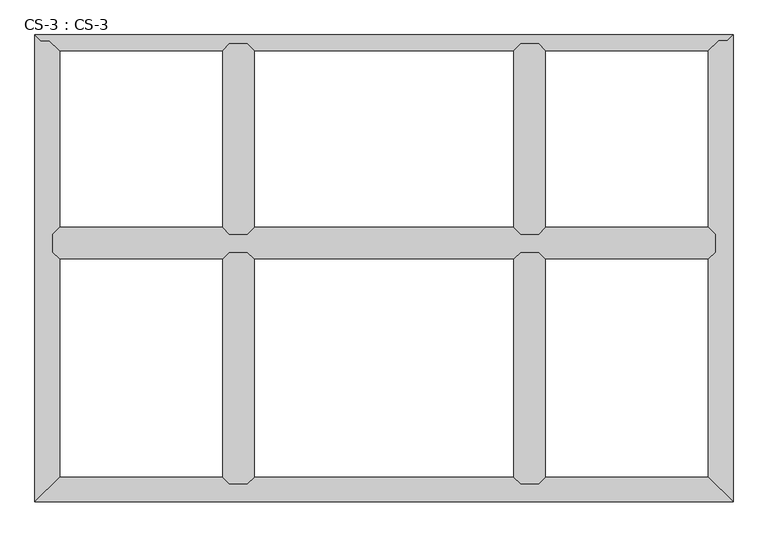
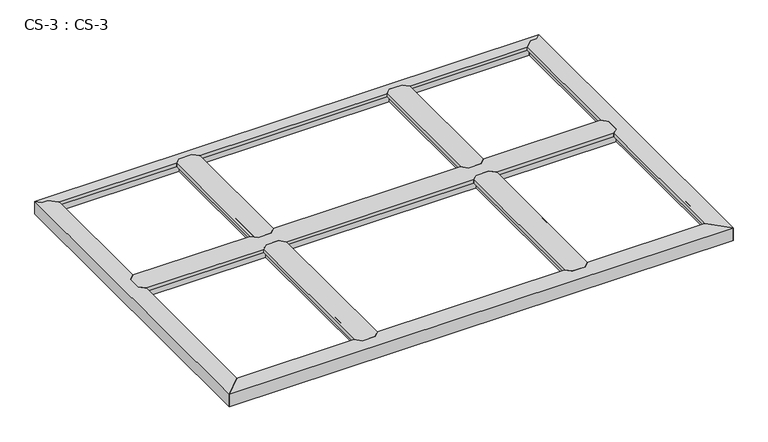
"""IFC4 building model written with IfcOpenShell, lengths in millimetres: proxy geometry, CS-3 : CS-3."""

from ifc_helpers import new_model, si_unit, origin, place, context, project, spatial, faceted_brep, source, transform, mapped, element, save


def cs_3_cs_3_01ce7afc(model_context):
    return source(origin(), model_context, "Body", "Brep", [
        faceted_brep([(1844.04, 1676.4, 46.355), (1844.04, 1676.4, 0.0), (1837.055, 1676.4, 0.0), (1837.055, 1676.4, 63.5), (1784.985, 1676.4, 63.5), (1784.985, 1676.4, 0.0), (1778.0, 1676.4, 0.0), (1778.0, 1676.4, 46.355), (1778.0, 1676.4, 66.675), (1844.04, 1676.4, 66.675), (1778.0, 980.44, 46.355), (1778.0, 980.44, 0.0), (1784.985, 980.44, 0.0), (1784.985, 980.44, 63.5), (1837.055, 980.44, 63.5), (1837.055, 980.44, 0.0), (1844.04, 980.44, 0.0), (1844.04, 980.44, 46.355), (1844.04, 980.44, 66.675), (1778.0, 980.44, 66.675), (1753.362, 1005.078, 66.675), (1753.362, 1651.762, 66.675), (1753.362, 1651.762, 49.8094), (1753.362, 1005.078, 49.8094), (1754.886, 1653.286, 49.8094), (1754.886, 1003.554, 49.8094), (1754.886, 1653.286, 64.643), (1754.886, 1003.554, 64.643), (1765.173, 1663.573, 64.643), (1765.173, 993.267, 64.643), (1765.173, 1663.573, 46.355), (1765.173, 993.267, 46.355), (1856.867, 1663.573, 46.355), (1856.867, 993.267, 46.355), (1856.867, 1663.573, 64.643), (1856.867, 993.267, 64.643), (1867.154, 1653.286, 64.643), (1867.154, 1003.554, 64.643), (1867.154, 1653.286, 49.8094), (1867.154, 1003.554, 49.8094), (1868.678, 1651.762, 49.8094), (1868.678, 1005.078, 49.8094), (1868.678, 1651.762, 66.675), (1868.678, 1005.078, 66.675)], [[[0, 1, 2, 3, 4, 5, 6, 7, 8, 9]], [[10, 11, 12, 13, 14, 15, 16, 17, 18, 19]], [[20, 21, 22, 23]], [[23, 22, 24, 25]], [[25, 24, 26, 27]], [[27, 26, 28, 29]], [[29, 28, 30, 31]], [[7, 10, 31, 30]], [[7, 6, 11, 10]], [[6, 5, 12, 11]], [[5, 4, 13, 12]], [[4, 3, 14, 13]], [[3, 2, 15, 14]], [[2, 1, 16, 15]], [[1, 0, 17, 16]], [[17, 0, 32, 33]], [[33, 32, 34, 35]], [[35, 34, 36, 37]], [[37, 36, 38, 39]], [[39, 38, 40, 41]], [[41, 40, 42, 43]], [[9, 8, 21, 20, 19, 18, 43, 42]], [[10, 19, 20, 23, 25, 27, 29, 31]], [[18, 17, 33, 35, 37, 39, 41, 43]], [[0, 9, 42, 40, 38, 36, 34, 32]], [[8, 7, 30, 28, 26, 24, 22, 21]]]),
        faceted_brep([(777.24, 1676.4, 46.355), (777.24, 1676.4, 0.0), (770.255, 1676.4, 0.0), (770.255, 1676.4, 63.5), (718.185, 1676.4, 63.5), (718.185, 1676.4, 0.0), (711.2, 1676.4, 0.0), (711.2, 1676.4, 46.355), (711.2, 1676.4, 66.675), (777.24, 1676.4, 66.675), (711.2, 980.44, 46.355), (711.2, 980.44, 0.0), (718.185, 980.44, 0.0), (718.185, 980.44, 63.5), (770.255, 980.44, 63.5), (770.255, 980.44, 0.0), (777.24, 980.44, 0.0), (777.24, 980.44, 46.355), (777.24, 980.44, 66.675), (711.2, 980.44, 66.675), (686.562, 1005.078, 66.675), (686.562, 1651.762, 66.675), (686.562, 1651.762, 49.8094), (686.562, 1005.078, 49.8094), (688.086, 1653.286, 49.8094), (688.086, 1003.554, 49.8094), (688.086, 1653.286, 64.643), (688.086, 1003.554, 64.643), (698.373, 1663.573, 64.643), (698.373, 993.267, 64.643), (698.373, 1663.573, 46.355), (698.373, 993.267, 46.355), (790.067, 1663.573, 46.355), (790.067, 993.267, 46.355), (790.067, 1663.573, 64.643), (790.067, 993.267, 64.643), (800.354, 1653.286, 64.643), (800.354, 1003.554, 64.643), (800.354, 1653.286, 49.8094), (800.354, 1003.554, 49.8094), (801.878, 1651.762, 49.8094), (801.878, 1005.078, 49.8094), (801.878, 1651.762, 66.675), (801.878, 1005.078, 66.675)], [[[0, 1, 2, 3, 4, 5, 6, 7, 8, 9]], [[10, 11, 12, 13, 14, 15, 16, 17, 18, 19]], [[20, 21, 22, 23]], [[23, 22, 24, 25]], [[25, 24, 26, 27]], [[27, 26, 28, 29]], [[29, 28, 30, 31]], [[7, 10, 31, 30]], [[7, 6, 11, 10]], [[6, 5, 12, 11]], [[5, 4, 13, 12]], [[4, 3, 14, 13]], [[3, 2, 15, 14]], [[2, 1, 16, 15]], [[1, 0, 17, 16]], [[17, 0, 32, 33]], [[33, 32, 34, 35]], [[35, 34, 36, 37]], [[37, 36, 38, 39]], [[39, 38, 40, 41]], [[41, 40, 42, 43]], [[9, 8, 21, 20, 19, 18, 43, 42]], [[10, 19, 20, 23, 25, 27, 29, 31]], [[18, 17, 33, 35, 37, 39, 41, 43]], [[0, 9, 42, 40, 38, 36, 34, 32]], [[8, 7, 30, 28, 26, 24, 22, 21]]]),
        faceted_brep([(2489.2, 914.4, 46.355), (2489.2, 914.4, 0.0), (2489.2, 921.385, 0.0), (2489.2, 921.385, 63.5), (2489.2, 973.455, 63.5), (2489.2, 973.455, 0.0), (2489.2, 980.44, 0.0), (2489.2, 980.44, 46.355), (2489.2, 980.44, 66.675), (2489.2, 914.4, 66.675), (66.04, 980.44, 46.355), (66.04, 980.44, 0.0), (66.04, 973.455, 0.0), (66.04, 973.455, 63.5), (66.04, 921.385, 63.5), (66.04, 921.385, 0.0), (66.04, 914.4, 0.0), (66.04, 914.4, 46.355), (66.04, 914.4, 66.675), (66.04, 980.44, 66.675), (90.678, 1005.078, 49.8094), (90.678, 1005.078, 66.675), (686.562, 1005.078, 66.675), (686.562, 1005.078, 49.8094), (2464.562, 1005.078, 66.675), (2464.562, 1005.078, 49.8094), (1868.678, 1005.078, 49.8094), (1868.678, 1005.078, 66.675), (801.878, 1005.078, 49.8094), (801.878, 1005.078, 66.675), (1753.362, 1005.078, 66.675), (1753.362, 1005.078, 49.8094), (89.154, 1003.554, 49.8094), (688.086, 1003.554, 49.8094), (2466.086, 1003.554, 49.8094), (1867.154, 1003.554, 49.8094), (800.354, 1003.554, 49.8094), (1754.886, 1003.554, 49.8094), (89.154, 1003.554, 64.643), (688.086, 1003.554, 64.643), (2466.086, 1003.554, 64.643), (1867.154, 1003.554, 64.643), (800.354, 1003.554, 64.643), (1754.886, 1003.554, 64.643), (78.867, 993.267, 64.643), (698.373, 993.267, 64.643), (2476.373, 993.267, 64.643), (1856.867, 993.267, 64.643), (790.067, 993.267, 64.643), (1765.173, 993.267, 64.643), (78.867, 993.267, 46.355), (698.373, 993.267, 46.355), (2476.373, 993.267, 46.355), (1856.867, 993.267, 46.355), (790.067, 993.267, 46.355), (1765.173, 993.267, 46.355), (711.2, 980.44, 46.355), (1844.04, 980.44, 46.355), (777.24, 980.44, 46.355), (1778.0, 980.44, 46.355), (711.2, 980.44, 66.675), (777.24, 980.44, 66.675), (1778.0, 980.44, 66.675), (1844.04, 980.44, 66.675), (1844.04, 914.4, 46.355), (1844.04, 914.4, 66.675), (1778.0, 914.4, 66.675), (1778.0, 914.4, 46.355), (777.24, 914.4, 46.355), (777.24, 914.4, 66.675), (711.2, 914.4, 66.675), (711.2, 914.4, 46.355), (78.867, 901.573, 46.355), (698.373, 901.573, 46.355), (2476.373, 901.573, 46.355), (1856.867, 901.573, 46.355), (790.067, 901.573, 46.355), (1765.173, 901.573, 46.355), (78.867, 901.573, 64.643), (698.373, 901.573, 64.643), (2476.373, 901.573, 64.643), (1856.867, 901.573, 64.643), (790.067, 901.573, 64.643), (1765.173, 901.573, 64.643), (89.154, 891.286, 64.643), (688.086, 891.286, 64.643), (2466.086, 891.286, 64.643), (1867.154, 891.286, 64.643), (800.354, 891.286, 64.643), (1754.886, 891.286, 64.643), (89.154, 891.286, 49.8094), (688.086, 891.286, 49.8094), (2466.086, 891.286, 49.8094), (1867.154, 891.286, 49.8094), (800.354, 891.286, 49.8094), (1754.886, 891.286, 49.8094), (90.678, 889.762, 49.8094), (686.562, 889.762, 49.8094), (2464.562, 889.762, 49.8094), (1868.678, 889.762, 49.8094), (801.878, 889.762, 49.8094), (1753.362, 889.762, 49.8094), (90.678, 889.762, 66.675), (686.562, 889.762, 66.675), (2464.562, 889.762, 66.675), (1868.678, 889.762, 66.675), (801.878, 889.762, 66.675), (1753.362, 889.762, 66.675)], [[[0, 1, 2, 3, 4, 5, 6, 7, 8, 9]], [[10, 11, 12, 13, 14, 15, 16, 17, 18, 19]], [[20, 21, 22, 23]], [[24, 25, 26, 27]], [[28, 29, 30, 31]], [[32, 20, 23, 33]], [[25, 34, 35, 26]], [[36, 28, 31, 37]], [[38, 32, 33, 39]], [[34, 40, 41, 35]], [[42, 36, 37, 43]], [[44, 38, 39, 45]], [[40, 46, 47, 41]], [[48, 42, 43, 49]], [[50, 44, 45, 51]], [[46, 52, 53, 47]], [[54, 48, 49, 55]], [[10, 50, 51, 56]], [[52, 7, 57, 53]], [[58, 54, 55, 59]], [[7, 6, 11, 10, 56, 60, 61, 58, 59, 62, 63, 57]], [[6, 5, 12, 11]], [[5, 4, 13, 12]], [[4, 3, 14, 13]], [[3, 2, 15, 14]], [[2, 1, 16, 15]], [[1, 0, 64, 65, 66, 67, 68, 69, 70, 71, 17, 16]], [[72, 17, 71, 73]], [[0, 74, 75, 64]], [[76, 68, 67, 77]], [[78, 72, 73, 79]], [[74, 80, 81, 75]], [[82, 76, 77, 83]], [[84, 78, 79, 85]], [[80, 86, 87, 81]], [[88, 82, 83, 89]], [[90, 84, 85, 91]], [[86, 92, 93, 87]], [[94, 88, 89, 95]], [[96, 90, 91, 97]], [[92, 98, 99, 93]], [[100, 94, 95, 101]], [[102, 96, 97, 103]], [[98, 104, 105, 99]], [[106, 100, 101, 107]], [[9, 8, 24, 27, 63, 62, 30, 29, 61, 60, 22, 21, 19, 18, 102, 103, 70, 69, 106, 107, 66, 65, 105, 104]], [[10, 19, 21, 20, 32, 38, 44, 50]], [[18, 17, 72, 78, 84, 90, 96, 102]], [[0, 9, 104, 98, 92, 86, 80, 74]], [[8, 7, 52, 46, 40, 34, 25, 24]], [[60, 56, 51, 45, 39, 33, 23, 22]], [[58, 61, 29, 28, 36, 42, 48, 54]], [[62, 59, 55, 49, 43, 37, 31, 30]], [[57, 63, 27, 26, 35, 41, 47, 53]], [[69, 68, 76, 82, 88, 94, 100, 106]], [[71, 70, 103, 97, 91, 85, 79, 73]], [[65, 64, 75, 81, 87, 93, 99, 105]], [[67, 66, 107, 101, 95, 89, 83, 77]]]),
        faceted_brep([(1844.04, 914.4, 46.355), (1844.04, 914.4, 0.0), (1837.055, 914.4, 0.0), (1837.055, 914.4, 63.5), (1784.985, 914.4, 63.5), (1784.985, 914.4, 0.0), (1778.0, 914.4, 0.0), (1778.0, 914.4, 46.355), (1778.0, 914.4, 66.675), (1844.04, 914.4, 66.675), (1778.0, 66.04, 46.355), (1778.0, 66.04, 0.0), (1784.985, 66.04, 0.0), (1784.985, 66.04, 63.5), (1837.055, 66.04, 63.5), (1837.055, 66.04, 0.0), (1844.04, 66.04, 0.0), (1844.04, 66.04, 46.355), (1844.04, 66.04, 66.675), (1778.0, 66.04, 66.675), (1753.362, 90.678, 66.675), (1753.362, 889.762, 66.675), (1753.362, 889.762, 49.8094), (1753.362, 90.678, 49.8094), (1754.886, 891.286, 49.8094), (1754.886, 89.154, 49.8094), (1754.886, 891.286, 64.643), (1754.886, 89.154, 64.643), (1765.173, 901.573, 64.643), (1765.173, 78.867, 64.643), (1765.173, 901.573, 46.355), (1765.173, 78.867, 46.355), (1856.867, 901.573, 46.355), (1856.867, 78.867, 46.355), (1856.867, 901.573, 64.643), (1856.867, 78.867, 64.643), (1867.154, 891.286, 64.643), (1867.154, 89.154, 64.643), (1867.154, 891.286, 49.8094), (1867.154, 89.154, 49.8094), (1868.678, 889.762, 49.8094), (1868.678, 90.678, 49.8094), (1868.678, 889.762, 66.675), (1868.678, 90.678, 66.675)], [[[0, 1, 2, 3, 4, 5, 6, 7, 8, 9]], [[10, 11, 12, 13, 14, 15, 16, 17, 18, 19]], [[20, 21, 22, 23]], [[23, 22, 24, 25]], [[25, 24, 26, 27]], [[27, 26, 28, 29]], [[29, 28, 30, 31]], [[7, 10, 31, 30]], [[7, 6, 11, 10]], [[6, 5, 12, 11]], [[5, 4, 13, 12]], [[4, 3, 14, 13]], [[3, 2, 15, 14]], [[2, 1, 16, 15]], [[1, 0, 17, 16]], [[17, 0, 32, 33]], [[33, 32, 34, 35]], [[35, 34, 36, 37]], [[37, 36, 38, 39]], [[39, 38, 40, 41]], [[41, 40, 42, 43]], [[9, 8, 21, 20, 19, 18, 43, 42]], [[10, 19, 20, 23, 25, 27, 29, 31]], [[18, 17, 33, 35, 37, 39, 41, 43]], [[0, 9, 42, 40, 38, 36, 34, 32]], [[8, 7, 30, 28, 26, 24, 22, 21]]]),
        faceted_brep([(777.24, 914.4, 46.355), (777.24, 914.4, 0.0), (770.255, 914.4, 0.0), (770.255, 914.4, 63.5), (718.185, 914.4, 63.5), (718.185, 914.4, 0.0), (711.2, 914.4, 0.0), (711.2, 914.4, 46.355), (711.2, 914.4, 66.675), (777.24, 914.4, 66.675), (711.2, 66.04, 46.355), (711.2, 66.04, 0.0), (718.185, 66.04, 0.0), (718.185, 66.04, 63.5), (770.255, 66.04, 63.5), (770.255, 66.04, 0.0), (777.24, 66.04, 0.0), (777.24, 66.04, 46.355), (777.24, 66.04, 66.675), (711.2, 66.04, 66.675), (686.562, 90.678, 66.675), (686.562, 889.762, 66.675), (686.562, 889.762, 49.8094), (686.562, 90.678, 49.8094), (688.086, 891.286, 49.8094), (688.086, 89.154, 49.8094), (688.086, 891.286, 64.643), (688.086, 89.154, 64.643), (698.373, 901.573, 64.643), (698.373, 78.867, 64.643), (698.373, 901.573, 46.355), (698.373, 78.867, 46.355), (790.067, 901.573, 46.355), (790.067, 78.867, 46.355), (790.067, 901.573, 64.643), (790.067, 78.867, 64.643), (800.354, 891.286, 64.643), (800.354, 89.154, 64.643), (800.354, 891.286, 49.8094), (800.354, 89.154, 49.8094), (801.878, 889.762, 49.8094), (801.878, 90.678, 49.8094), (801.878, 889.762, 66.675), (801.878, 90.678, 66.675)], [[[0, 1, 2, 3, 4, 5, 6, 7, 8, 9]], [[10, 11, 12, 13, 14, 15, 16, 17, 18, 19]], [[20, 21, 22, 23]], [[23, 22, 24, 25]], [[25, 24, 26, 27]], [[27, 26, 28, 29]], [[29, 28, 30, 31]], [[7, 10, 31, 30]], [[7, 6, 11, 10]], [[6, 5, 12, 11]], [[5, 4, 13, 12]], [[4, 3, 14, 13]], [[3, 2, 15, 14]], [[2, 1, 16, 15]], [[1, 0, 17, 16]], [[17, 0, 32, 33]], [[33, 32, 34, 35]], [[35, 34, 36, 37]], [[37, 36, 38, 39]], [[39, 38, 40, 41]], [[41, 40, 42, 43]], [[9, 8, 21, 20, 19, 18, 43, 42]], [[10, 19, 20, 23, 25, 27, 29, 31]], [[18, 17, 33, 35, 37, 39, 41, 43]], [[0, 9, 42, 40, 38, 36, 34, 32]], [[8, 7, 30, 28, 26, 24, 22, 21]]]),
        faceted_brep([(2555.24, 0.0, 0.0), (0.0, 0.0, 0.0), (6.985, 6.985, 0.0), (2548.255, 6.985, 0.0), (2548.255, 6.985, 63.5), (6.985, 6.985, 63.5), (2496.185, 59.055, 63.5), (59.055, 59.055, 63.5), (2496.185, 59.055, 0.0), (59.055, 59.055, 0.0), (66.04, 66.04, 0.0), (2489.2, 66.04, 0.0), (2489.2, 66.04, 46.355), (66.04, 66.04, 46.355), (711.2, 66.04, 46.355), (711.2, 66.04, 66.675), (777.24, 66.04, 66.675), (777.24, 66.04, 46.355), (1778.0, 66.04, 46.355), (1778.0, 66.04, 66.675), (1844.04, 66.04, 66.675), (1844.04, 66.04, 46.355), (2476.373, 78.867, 46.355), (1856.867, 78.867, 46.355), (78.867, 78.867, 46.355), (698.373, 78.867, 46.355), (1765.173, 78.867, 46.355), (790.067, 78.867, 46.355), (2476.373, 78.867, 63.5), (1856.867, 78.867, 63.5), (78.867, 78.867, 63.5), (698.373, 78.867, 63.5), (1765.173, 78.867, 63.5), (790.067, 78.867, 63.5), (2466.086, 89.154, 63.5), (1867.154, 89.154, 63.5), (89.154, 89.154, 63.5), (688.086, 89.154, 63.5), (1754.886, 89.154, 63.5), (800.354, 89.154, 63.5), (2466.086, 89.154, 49.8094), (1867.154, 89.154, 49.8094), (89.154, 89.154, 49.8094), (688.086, 89.154, 49.8094), (1754.886, 89.154, 49.8094), (800.354, 89.154, 49.8094), (2464.562, 90.678, 49.8094), (1868.678, 90.678, 49.8094), (90.678, 90.678, 49.8094), (686.562, 90.678, 49.8094), (1753.362, 90.678, 49.8094), (801.878, 90.678, 49.8094), (2464.562, 90.678, 66.675), (1868.678, 90.678, 66.675), (90.678, 90.678, 66.675), (686.562, 90.678, 66.675), (1753.362, 90.678, 66.675), (801.878, 90.678, 66.675), (0.0, 0.0, 66.675), (2555.24, 0.0, 66.675)], [[[0, 1, 2, 3]], [[4, 3, 2, 5]], [[6, 4, 5, 7]], [[8, 6, 7, 9]], [[10, 11, 8, 9]], [[12, 11, 10, 13, 14, 15, 16, 17, 18, 19, 20, 21]], [[22, 12, 21, 23]], [[13, 24, 25, 14]], [[26, 18, 17, 27]], [[28, 22, 23, 29]], [[24, 30, 31, 25]], [[32, 26, 27, 33]], [[34, 28, 29, 35]], [[30, 36, 37, 31]], [[38, 32, 33, 39]], [[40, 34, 35, 41]], [[36, 42, 43, 37]], [[44, 38, 39, 45]], [[46, 40, 41, 47]], [[42, 48, 49, 43]], [[50, 44, 45, 51]], [[52, 46, 47, 53]], [[48, 54, 55, 49]], [[56, 50, 51, 57]], [[58, 59, 52, 53, 20, 19, 56, 57, 16, 15, 55, 54]], [[1, 0, 59, 58]], [[0, 3, 4, 6, 8, 11, 12, 22, 28, 34, 40, 46, 52, 59]], [[2, 1, 58, 54, 48, 42, 36, 30, 24, 13, 10, 9, 7, 5]], [[19, 18, 26, 32, 38, 44, 50, 56]], [[21, 20, 53, 47, 41, 35, 29, 23]], [[15, 14, 25, 31, 37, 43, 49, 55]], [[17, 16, 57, 51, 45, 39, 33, 27]]]),
        faceted_brep([(2555.24, 1709.42, 0.0), (2555.24, 0.0, 0.0), (2548.255, 6.985, 0.0), (2548.255, 1702.435, 0.0), (2548.255, 1702.435, 63.5), (2548.255, 6.985, 63.5), (2533.65, 1687.83, 63.5), (2496.185, 59.055, 63.5), (2496.185, 1682.3093878, 63.5), (2501.9, 1687.83, 63.5), (2496.185, 1682.3093878, 0.0), (2496.185, 59.055, 0.0), (2489.2, 66.04, 0.0), (2489.2, 1675.5619728, 0.0), (2489.2, 1675.5619728, 46.355), (2489.2, 66.04, 46.355), (2489.2, 914.4, 46.355), (2489.2, 914.4, 66.675), (2489.2, 980.44, 66.675), (2489.2, 980.44, 46.355), (2476.373, 1663.1712653, 46.355), (2476.373, 993.267, 46.355), (2476.373, 78.867, 46.355), (2476.373, 901.573, 46.355), (2476.373, 1663.1712653, 63.5), (2476.373, 993.267, 63.5), (2476.373, 78.867, 63.5), (2476.373, 901.573, 63.5), (2466.086, 1653.2341633, 63.5), (2466.086, 1003.554, 63.5), (2466.086, 89.154, 63.5), (2466.086, 891.286, 63.5), (2466.086, 1653.2341633, 49.8094), (2466.086, 1003.554, 49.8094), (2466.086, 89.154, 49.8094), (2466.086, 891.286, 49.8094), (2464.562, 1651.762, 49.8094), (2464.562, 1005.078, 49.8094), (2464.562, 90.678, 49.8094), (2464.562, 889.762, 49.8094), (2464.562, 1651.762, 66.675), (2464.562, 1005.078, 66.675), (2464.562, 90.678, 66.675), (2464.562, 889.762, 66.675), (2555.24, 0.0, 66.675), (2555.24, 1709.42, 66.675), (2533.65, 1687.83, 66.675), (2501.9, 1687.83, 66.675)], [[[0, 1, 2, 3]], [[4, 3, 2, 5]], [[6, 4, 5, 7, 8, 9]], [[10, 8, 7, 11]], [[12, 13, 10, 11]], [[14, 13, 12, 15, 16, 17, 18, 19]], [[20, 14, 19, 21]], [[15, 22, 23, 16]], [[24, 20, 21, 25]], [[22, 26, 27, 23]], [[28, 24, 25, 29]], [[26, 30, 31, 27]], [[32, 28, 29, 33]], [[30, 34, 35, 31]], [[36, 32, 33, 37]], [[34, 38, 39, 35]], [[40, 36, 37, 41]], [[38, 42, 43, 39]], [[44, 45, 46, 47, 40, 41, 18, 17, 43, 42]], [[1, 0, 45, 44]], [[6, 46, 45, 0, 3, 4]], [[47, 9, 8, 10, 13, 14, 20, 24, 28, 32, 36, 40]], [[46, 6, 9, 47]], [[2, 1, 44, 42, 38, 34, 30, 26, 22, 15, 12, 11, 7, 5]], [[17, 16, 23, 27, 31, 35, 39, 43]], [[19, 18, 41, 37, 33, 29, 25, 21]]]),
        faceted_brep([(2555.24, 1709.42, 66.675), (0.0, 1709.42, 66.675), (21.59, 1687.83, 66.675), (53.34, 1687.83, 66.675), (90.678, 1651.762, 66.675), (686.562, 1651.762, 66.675), (711.2, 1676.4, 66.675), (777.24, 1676.4, 66.675), (801.878, 1651.762, 66.675), (1753.362, 1651.762, 66.675), (1778.0, 1676.4, 66.675), (1844.04, 1676.4, 66.675), (1868.678, 1651.762, 66.675), (2464.562, 1651.762, 66.675), (2501.9, 1687.83, 66.675), (2533.65, 1687.83, 66.675), (2555.24, 1709.42, 63.5), (0.0, 1709.42, 63.5), (2533.65, 1687.83, 63.5), (2501.9, 1687.83, 63.5), (2497.2984859, 1683.385, 63.5), (57.9415141, 1683.385, 63.5), (53.34, 1687.83, 63.5), (21.59, 1687.83, 63.5), (57.9415141, 1683.385, 0.0), (2497.2984859, 1683.385, 0.0), (2490.0675352, 1676.4, 0.0), (65.1724648, 1676.4, 0.0), (65.1724648, 1676.4, 46.355), (2490.0675352, 1676.4, 46.355), (1844.04, 1676.4, 46.355), (1778.0, 1676.4, 46.355), (777.24, 1676.4, 46.355), (711.2, 1676.4, 46.355), (78.4511197, 1663.573, 46.355), (698.373, 1663.573, 46.355), (2476.7888803, 1663.573, 46.355), (1856.867, 1663.573, 46.355), (790.067, 1663.573, 46.355), (1765.173, 1663.573, 46.355), (78.4511197, 1663.573, 64.643), (698.373, 1663.573, 64.643), (2476.7888803, 1663.573, 64.643), (1856.867, 1663.573, 64.643), (790.067, 1663.573, 64.643), (1765.173, 1663.573, 64.643), (89.100338, 1653.286, 64.643), (688.086, 1653.286, 64.643), (2466.139662, 1653.286, 64.643), (1867.154, 1653.286, 64.643), (800.354, 1653.286, 64.643), (1754.886, 1653.286, 64.643), (89.100338, 1653.286, 49.8094), (688.086, 1653.286, 49.8094), (2466.139662, 1653.286, 49.8094), (1867.154, 1653.286, 49.8094), (800.354, 1653.286, 49.8094), (1754.886, 1653.286, 49.8094), (90.678, 1651.762, 49.8094), (686.562, 1651.762, 49.8094), (2464.562, 1651.762, 49.8094), (1868.678, 1651.762, 49.8094), (801.878, 1651.762, 49.8094), (1753.362, 1651.762, 49.8094)], [[[0, 1, 2, 3, 4, 5, 6, 7, 8, 9, 10, 11, 12, 13, 14, 15]], [[1, 0, 16, 17]], [[17, 16, 18, 19, 20, 21, 22, 23]], [[24, 21, 20, 25]], [[26, 27, 24, 25]], [[28, 27, 26, 29, 30, 11, 10, 31, 32, 7, 6, 33]], [[34, 28, 33, 35]], [[29, 36, 37, 30]], [[38, 32, 31, 39]], [[40, 34, 35, 41]], [[36, 42, 43, 37]], [[44, 38, 39, 45]], [[46, 40, 41, 47]], [[42, 48, 49, 43]], [[50, 44, 45, 51]], [[52, 46, 47, 53]], [[48, 54, 55, 49]], [[56, 50, 51, 57]], [[58, 52, 53, 59]], [[54, 60, 61, 55]], [[62, 56, 57, 63]], [[4, 58, 59, 5]], [[60, 13, 12, 61]], [[8, 62, 63, 9]], [[23, 2, 1, 17]], [[3, 22, 21, 24, 27, 28, 34, 40, 46, 52, 58, 4]], [[2, 23, 22, 3]], [[18, 15, 14, 19]], [[19, 14, 13, 60, 54, 48, 42, 36, 29, 26, 25, 20]], [[15, 18, 16, 0]], [[7, 32, 38, 44, 50, 56, 62, 8]], [[33, 6, 5, 59, 53, 47, 41, 35]], [[11, 30, 37, 43, 49, 55, 61, 12]], [[31, 10, 9, 63, 57, 51, 45, 39]]]),
        faceted_brep([(0.0, 0.0, 0.0), (0.0, 1709.42, 0.0), (6.985, 1702.435, 0.0), (6.985, 6.985, 0.0), (6.985, 6.985, 63.5), (6.985, 1702.435, 63.5), (59.055, 59.055, 63.5), (21.59, 1687.83, 63.5), (53.34, 1687.83, 63.5), (59.055, 1682.3093878, 63.5), (59.055, 59.055, 0.0), (59.055, 1682.3093878, 0.0), (66.04, 1675.5619728, 0.0), (66.04, 66.04, 0.0), (66.04, 66.04, 46.355), (66.04, 1675.5619728, 46.355), (66.04, 980.44, 46.355), (66.04, 980.44, 66.675), (66.04, 914.4, 66.675), (66.04, 914.4, 46.355), (78.867, 78.867, 46.355), (78.867, 901.573, 46.355), (78.867, 1663.1712653, 46.355), (78.867, 993.267, 46.355), (78.867, 78.867, 63.5), (78.867, 901.573, 63.5), (78.867, 1663.1712653, 63.5), (78.867, 993.267, 63.5), (89.154, 89.154, 63.5), (89.154, 891.286, 63.5), (89.154, 1653.2341633, 63.5), (89.154, 1003.554, 63.5), (89.154, 89.154, 49.8094), (89.154, 891.286, 49.8094), (89.154, 1653.2341633, 49.8094), (89.154, 1003.554, 49.8094), (90.678, 90.678, 49.8094), (90.678, 889.762, 49.8094), (90.678, 1651.762, 49.8094), (90.678, 1005.078, 49.8094), (90.678, 90.678, 66.675), (90.678, 889.762, 66.675), (90.678, 1651.762, 66.675), (90.678, 1005.078, 66.675), (0.0, 1709.42, 66.675), (0.0, 0.0, 66.675), (53.34, 1687.83, 66.675), (21.59, 1687.83, 66.675)], [[[0, 1, 2, 3]], [[4, 3, 2, 5]], [[6, 4, 5, 7, 8, 9]], [[10, 6, 9, 11]], [[12, 13, 10, 11]], [[14, 13, 12, 15, 16, 17, 18, 19]], [[20, 14, 19, 21]], [[15, 22, 23, 16]], [[24, 20, 21, 25]], [[22, 26, 27, 23]], [[28, 24, 25, 29]], [[26, 30, 31, 27]], [[32, 28, 29, 33]], [[30, 34, 35, 31]], [[36, 32, 33, 37]], [[34, 38, 39, 35]], [[40, 36, 37, 41]], [[38, 42, 43, 39]], [[44, 45, 40, 41, 18, 17, 43, 42, 46, 47]], [[1, 0, 45, 44]], [[0, 3, 4, 6, 10, 13, 14, 20, 24, 28, 32, 36, 40, 45]], [[7, 47, 46, 8]], [[8, 46, 42, 38, 34, 30, 26, 22, 15, 12, 11, 9]], [[47, 7, 5, 2, 1, 44]], [[17, 16, 23, 27, 31, 35, 39, 43]], [[19, 18, 41, 37, 33, 29, 25, 21]]]),
    ])


if __name__ == "__main__":
    model = new_model("IFC4")
    model_context = context("Model", 3, world=origin())
    ifc_project = project(units=[si_unit("LENGTHUNIT", "METRE", prefix="MILLI")], contexts=[model_context])
    site = spatial("IfcSite", under=ifc_project)
    building = spatial("IfcBuilding", under=site)
    placement = place(None, origin())
    cs_3_cs_3_shape = cs_3_cs_3_01ce7afc(model_context)
    element("IfcBuildingElementProxy", 1, Name="CS-3 : CS-3", ObjectType="CS-3 : CS-3", at=placement, inside=building, context=model_context, shape_type="MappedRepresentation", body=[
        mapped(cs_3_cs_3_shape, transform((0.0, 0.0, 0.0), x_axis=(1.0, 0.0, 0.0), y_axis=(0.0, 1.0, 0.0), z_axis=(0.0, 0.0, 1.0))),
    ])
    save(model, "model.ifc")
